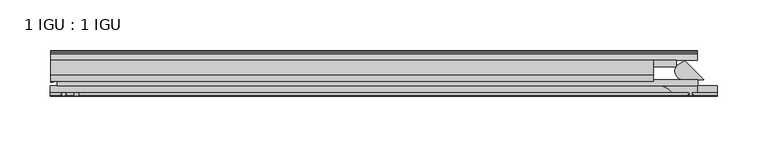
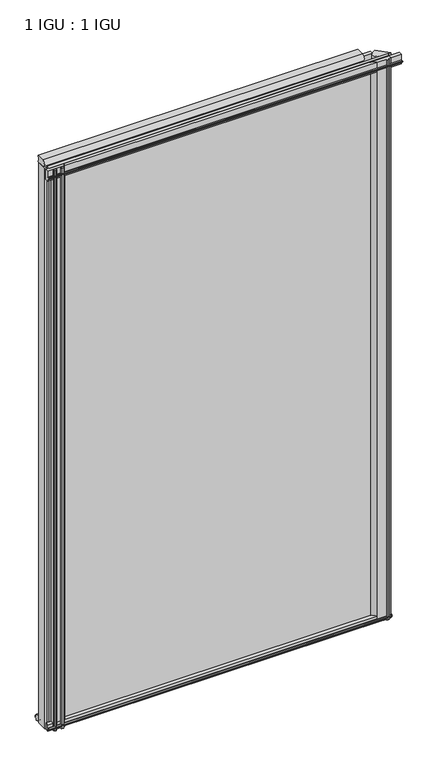
"""IFC4 building model written with IfcOpenShell, lengths in millimetres: plate geometry, 1 IGU : 1 IGU."""

from ifc_helpers import new_model, si_unit, point, frame, frame_2d, origin, place, context, project, spatial, polyline, circle_curve, ellipse_curve, trimmed, segment, composite_curve, outline, extrude, source, transform, mapped, element, save
from ifc_brep_helpers import plane_surface, cylinder_surface, revolved_surface, extruded_surface, advanced_brep


def plate_1_igu_1_igu_1958c179(model_context):
    return source(origin(), model_context, "Body", "SolidModel", [
        extrude(outline(polyline([(-314.3261907, -38.6468937), (321.2715032, -38.6468937), (321.2715032, -44.9460938), (-314.3261907, -44.9460938), (-314.3261907, -38.6468937)])), frame((0.0, 0.0, -12.7), z_axis=(0.0, 0.0, 1.0), x_axis=(1.0, 0.0, 0.0)), (0.0, 0.0, 1.0), 1106.5637371),
        extrude(outline(polyline([(-314.3261907, -19.5460937), (299.939472, -19.5460937), (299.939472, -25.8960938), (-314.3261907, -25.8960938), (-314.3261907, -19.5460937)])), frame((0.0, 0.0, -12.7), z_axis=(0.0, 0.0, 1.0), x_axis=(1.0, 0.0, 0.0)), (0.0, 0.0, 1.0), 1106.5637371),
        extrude(outline(composite_curve([segment(trimmed(circle_curve(frame_2d((-9.2245666, 1100.1773164)), 12.1106873), [point((-19.5460937, 1106.5125215))], [point((-19.5460937, 1093.8421112))], True, "CARTESIAN"), True, "CONTINUOUS"), segment(polyline([(-19.5460937, 1093.8421112), (-33.8757421, 1093.8421112)]), True, "CONTINUOUS"), segment(trimmed(circle_curve(frame_2d((-33.8757421, 1100.1773164)), 6.3352052), [point((-33.8757421, 1093.8421112))], [point((-33.8757421, 1106.5125215))], False, "CARTESIAN"), True, "CONTINUOUS"), segment(polyline([(-33.8757421, 1106.5125215), (-19.5460937, 1106.5125215)]), True, "CONTINUOUS")], self_intersect=False)), frame((-320.6761907, 0.0, 0.0), z_axis=(1.0, 0.0, 0.0), x_axis=(0.0, 1.0, 0.0)), (0.0, 0.0, 1.0), 597.3984752),
        extrude(outline(composite_curve([segment(polyline([(308.3479936, -19.9178967), (327.0769907, -38.6468938), (305.9733448, -38.6468938)]), True, "CONTINUOUS"), segment(trimmed(circle_curve(frame_2d((306.7635261, -30.324123)), 8.3601973), [point((305.9733448, -38.6468938))], [point((300.5961133, -24.6800183))], False, "CARTESIAN"), True, "CONTINUOUS"), segment(polyline([(300.5961133, -24.6800183), (308.3479936, -19.9178967)]), True, "CONTINUOUS")], self_intersect=False)), frame((0.0, 0.0, -12.4587), z_axis=(0.0, 0.0, 1.0), x_axis=(1.0, 0.0, 0.0)), (0.0, 0.0, 1.0), 1106.3224371),
        advanced_brep(
        [(-320.6761907, -21.1706006, -12.7), (-314.3275788, -19.5461438, -12.7), (-314.3275788, -25.8549351, -12.7), (-313.1522276, -32.21431, -12.7), (-320.6761907, -41.5384043, -12.7), (-320.6761907, -21.1706006, 1093.8637371), (-320.6761907, -41.5384043, 1093.8637371), (-313.1522276, -32.21431, 1093.8637371), (-314.3275788, -25.8549351, 1093.8637371), (-314.3275788, -19.5461438, 1093.8637371)],
        [
            (0, 1, circle_curve(frame((-320.6767601, -7.9505008, -12.7), z_axis=(0.0, 0.0, 1.0), x_axis=(1.0, 0.0, 0.0)), 13.2200998)),
            (1, 2),
            (2, 3, circle_curve(frame((-331.2145919, -32.2643264, -12.7), z_axis=(0.0, 0.0, -1.0), x_axis=(1.0, 0.0, 0.0)), 18.0624336)),
            (3, 4, ellipse_curve(frame((-320.6753578, -32.2460921, -12.7), z_axis=(0.0, 0.0, -1.0), x_axis=(0.0, -1.0, 0.0)), 9.2923123, 7.5231742)),
            (4, 0),
            (5, 6),
            (6, 7, ellipse_curve(frame((-320.6753578, -32.2460921, 1093.8637371), z_axis=(0.0, 0.0, 1.0), x_axis=(0.0, -1.0, 0.0)), 9.2923123, 7.5231742)),
            (7, 8, circle_curve(frame((-331.2145919, -32.2643264, 1093.8637371), z_axis=(0.0, 0.0, 1.0), x_axis=(1.0, 0.0, 0.0)), 18.0624336)),
            (8, 9),
            (9, 5, circle_curve(frame((-320.6767601, -7.9505008, 1093.8637371), z_axis=(0.0, 0.0, -1.0), x_axis=(1.0, 0.0, 0.0)), 13.2200998)),
            (0, 5),
            (9, 1),
            (8, 2),
            (7, 3),
            (6, 4),
        ],
        [
            plane_surface(frame((-320.6761907, -13.1960937, -12.7), z_axis=(0.0, 0.0, -1.0), x_axis=(0.0, 1.0, 0.0))),
            plane_surface(frame((-320.6761907, -13.1960937, 1093.8637371), z_axis=(0.0, 0.0, 1.0), x_axis=(0.0, 1.0, 0.0))),
            revolved_surface(polyline([(-307.4566603, -7.9505008, 1093.8637371), (-307.4566603, -7.9505008, -12.7)]), (-320.6767601, -7.9505008, -12.7), (0.0, 0.0, 1.0)),
            plane_surface(frame((-314.3275788, -19.5461438, -12.7), z_axis=(1.0, 0.0, 0.0), x_axis=(0.0, 0.0, 1.0))),
            cylinder_surface(frame((-331.2145919, -32.2643264, -12.7), z_axis=(0.0, 0.0, -1.0), x_axis=(1.0, 0.0, 0.0)), 18.0624336),
            extruded_surface(trimmed(ellipse_curve(frame((-320.6753578, -32.2460921, 1093.8637371), z_axis=(0.0, 0.0, -1.0), x_axis=(0.0, -1.0, 0.0)), 9.2923123, 7.5231742), [point((-313.1522276, -32.21431, 1093.8637371))], [point((-320.6761907, -41.5384043, 1093.8637371))], True, "CARTESIAN"), (0.0, 0.0, -1106.5637371), 1106.5637371),
            plane_surface(frame((-320.6761907, -41.5384043, -12.7), z_axis=(-1.0, 0.0, 0.0), x_axis=(0.0, 0.0, 1.0))),
        ],
        [
            (0, [[1, 2, 3, 4, 5]]),
            (1, [[6, 7, 8, 9, 10]]),
            (2, [[-1, 11, -10, 12]]),
            (3, [[-2, -12, -9, 13]]),
            (4, [[-3, -13, -8, 14]]),
            (5, [[-4, -14, -7, 15]]),
            (6, [[-5, -15, -6, -11]]),
        ],
    ),
        extrude(outline(composite_curve([segment(polyline([(320.3668505, -44.9460938), (320.3668505, -51.2960938), (315.2868505, -51.2960938), (314.9693505, -53.4006957), (316.1879564, -53.0741712), (316.3917505, -53.8347412), (314.0168505, -54.4710938), (311.6419505, -53.8347412), (311.8457446, -53.0741712), (313.0643505, -53.4006957), (312.7468505, -51.2960938), (295.3478505, -51.2960938)]), True, "CONTINUOUS"), segment(trimmed(circle_curve(frame_2d((281.8178467, -61.7346627)), 17.0887309), [point((295.3478505, -51.2960938))], [point((285.0066828, -44.9460938))], True, "CARTESIAN"), True, "CONTINUOUS"), segment(polyline([(285.0066828, -44.9460938), (320.3668505, -44.9460938)]), True, "CONTINUOUS")], self_intersect=False)), frame((0.0, 0.0, -11.938), z_axis=(0.0, 0.0, 1.0), x_axis=(1.0, 0.0, 0.0)), (0.0, 0.0, 1.0), 1105.5604373),
        extrude(outline(polyline([(-44.9460937, 1.7177181), (-44.9460937, -9.1036578), (-48.3496937, -11.938), (-51.2960937, -11.938), (-51.2960937, -7.493), (-53.6762907, -7.112), (-53.2163575, -8.5275291), (-54.0175717, -8.5275291), (-54.7250937, -6.35), (-54.0175717, -4.1724709), (-53.2163575, -4.1724709), (-53.6762907, -5.588), (-51.2960937, -5.207), (-51.2960937, 0.0), (-44.9460937, 1.7177181)])), frame((-320.6761907, 0.0, 0.0), z_axis=(1.0, 0.0, 0.0), x_axis=(0.0, 1.0, 0.0)), (0.0, 0.0, 1.0), 641.3523814),
        extrude(outline(polyline([(-13.1960937, -12.4587), (-16.1424937, -12.4587), (-19.5460937, -9.6243578), (-19.5460937, 1.1970181), (-13.1960937, -0.5207), (-13.1960937, -5.7277), (-10.8158968, -6.1087), (-11.27583, -4.6931709), (-10.4746158, -4.6931709), (-9.7670937, -6.8707), (-10.4746158, -9.0482291), (-11.27583, -9.0482291), (-10.8158968, -7.6327), (-13.1960937, -8.0137), (-13.1960937, -12.4587)])), frame((-320.6761907, 0.0, 0.0), z_axis=(1.0, 0.0, 0.0), x_axis=(0.0, 1.0, 0.0)), (0.0, 0.0, 1.0), 641.3523814),
        extrude(outline(composite_curve([segment(polyline([(-44.9380025, 1074.7258348), (-51.2960937, 1074.7258348), (-51.2960937, 1079.5518348), (-54.1955564, 1079.5518348), (-54.8194621, 1080.5291272)]), True, "CONTINUOUS"), segment(trimmed(circle_curve(frame_2d((-53.9630937, 1081.0758348)), 1.016), [point((-54.8194621, 1080.5291272))], [point((-54.8194621, 1081.6225424))], False, "CARTESIAN"), True, "CONTINUOUS"), segment(polyline([(-54.8194621, 1081.6225424), (-54.1955564, 1082.5998348), (-51.2878033, 1082.5998348), (-51.2916866, 1093.7645183), (-44.9380025, 1093.7645183), (-44.9380025, 1074.7258348)]), True, "CONTINUOUS")], self_intersect=False)), frame((-321.1184846, 0.0, 0.0), z_axis=(1.0, 0.0, 0.0), x_axis=(0.0, 1.0, 0.0)), (0.0, 0.0, 1.0), 661.340769),
        extrude(outline(composite_curve([segment(trimmed(circle_curve(frame_2d((-279.9102594, -51.9750196)), 9.0414579), [point((-285.5972763, -44.9460938))], [point((-288.9261909, -51.2960938))], True, "CARTESIAN"), True, "CONTINUOUS"), segment(polyline([(-288.9261909, -51.2960938), (-293.1679909, -51.2960938)]), True, "CONTINUOUS"), segment(trimmed(circle_curve(frame_2d((-293.1679909, -51.7532938)), 0.4572), [point((-293.1679909, -51.2960938))], [point((-293.5068087, -52.0602698))], True, "CARTESIAN"), True, "CONTINUOUS"), segment(trimmed(circle_curve(frame_2d((-295.2761909, -53.663367)), 2.3876), [point((-293.5068087, -52.0602698))], [point((-293.2055479, -54.8520938))], False, "CARTESIAN"), True, "CONTINUOUS"), segment(polyline([(-293.2055479, -54.8520938), (-297.3468339, -54.8520938)]), True, "CONTINUOUS"), segment(trimmed(circle_curve(frame_2d((-295.2761909, -53.663367)), 2.3876), [point((-297.3468339, -54.8520938))], [point((-297.045573, -52.0602698))], False, "CARTESIAN"), True, "CONTINUOUS"), segment(trimmed(circle_curve(frame_2d((-297.3843909, -51.7532938)), 0.4572), [point((-297.045573, -52.0602698))], [point((-297.3843909, -51.2960938))], True, "CARTESIAN"), True, "CONTINUOUS"), segment(polyline([(-297.3843909, -51.2960938), (-306.4521909, -51.2960938), (-306.4521909, -52.9470938), (-305.3745601, -52.9470938)]), True, "CONTINUOUS"), segment(trimmed(circle_curve(frame_2d((-306.4521909, -52.9470938)), 1.0776307), [point((-305.3745601, -52.9470938))], [point((-305.6901909, -53.7090938))], False, "CARTESIAN"), True, "CONTINUOUS"), segment(polyline([(-305.6901909, -53.7090938), (-307.4294833, -54.8194621)]), True, "CONTINUOUS"), segment(trimmed(circle_curve(frame_2d((-307.9761909, -53.9630938)), 1.016), [point((-307.4294833, -54.8194621))], [point((-308.5228985, -54.8194621))], False, "CARTESIAN"), True, "CONTINUOUS"), segment(polyline([(-308.5228985, -54.8194621), (-310.2621909, -53.7090938)]), True, "CONTINUOUS"), segment(trimmed(circle_curve(frame_2d((-309.5001909, -52.9470938)), 1.0776307), [point((-310.2621909, -53.7090938))], [point((-310.5778216, -52.9470938))], False, "CARTESIAN"), True, "CONTINUOUS"), segment(polyline([(-310.5778216, -52.9470938), (-309.5001909, -52.9470938), (-309.5001909, -51.2960938), (-311.1511909, -51.2960938), (-311.1511909, -44.9460938), (-285.5972763, -44.9460938)]), True, "CONTINUOUS")], self_intersect=False)), frame((0.0, 0.0, -12.7), z_axis=(0.0, 0.0, 1.0), x_axis=(1.0, 0.0, 0.0)), (0.0, 0.0, 1.0), 1106.5637373),
    ])


if __name__ == "__main__":
    model = new_model("IFC4")
    model_context = context("Model", 3, world=origin())
    ifc_project = project(units=[si_unit("LENGTHUNIT", "METRE", prefix="MILLI")], contexts=[model_context])
    site = spatial("IfcSite", under=ifc_project)
    building = spatial("IfcBuilding", under=site)
    placement = place(None, origin())
    plate_1_igu_1_igu_shape = plate_1_igu_1_igu_1958c179(model_context)
    element("IfcPlate", 1, ObjectType="1 IGU : 1 IGU", at=placement, inside=building, context=model_context, shape_type="MappedRepresentation", body=[
        mapped(plate_1_igu_1_igu_shape, transform((0.0, 0.0, 0.0), x_axis=(1.0, 0.0, 0.0), y_axis=(0.0, 1.0, 0.0), z_axis=(0.0, 0.0, 1.0))),
    ])
    save(model, "model.ifc")
